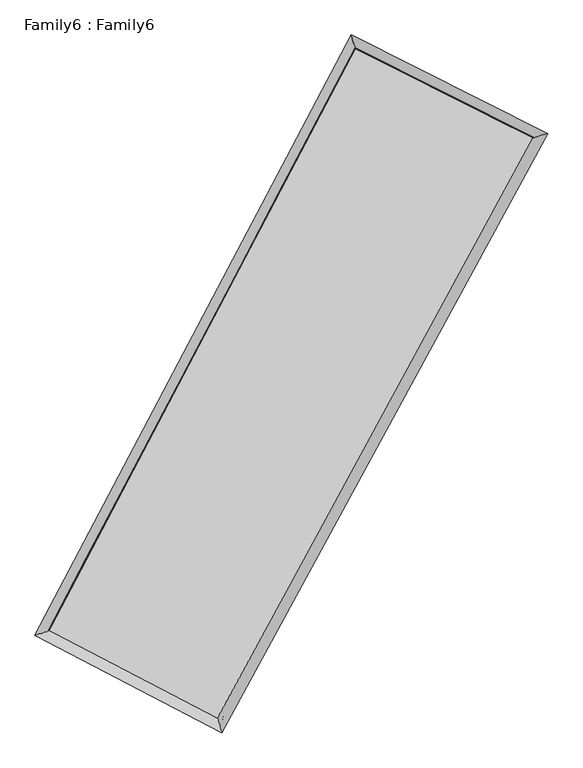
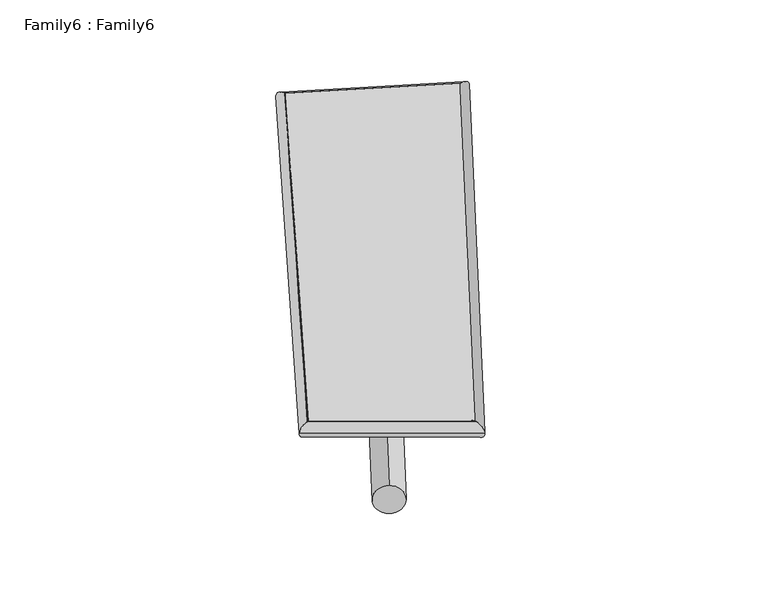
"""IFC4 building model written with IfcOpenShell, lengths in millimetres: plate geometry, Family6 : Family6."""

from ifc_helpers import new_model, si_unit, point, frame, origin, origin_2d, place, context, project, spatial, circle_curve, ellipse_curve, trimmed, segment, composite_curve, outline, extrude, source, transform, mapped, element, save
from ifc_brep_helpers import plane_surface, cylinder_surface, spline_surface, advanced_brep


def family6_family6_ca8152de(model_context):
    return source(origin(), model_context, "Body", "SolidModel", [
        extrude(outline(composite_curve([segment(trimmed(circle_curve(origin_2d(), 76.2), [point((-75.4341514, -10.7763074))], [point((75.4341514, 10.7763074))], False, "CARTESIAN"), True, "CONTINUOUS"), segment(trimmed(circle_curve(origin_2d(), 76.2), [point((75.4341514, 10.7763074))], [point((-75.4341514, -10.7763074))], False, "CARTESIAN"), True, "CONTINUOUS")], self_intersect=False)), frame((9144.0, 9144.0, 0.0), z_axis=(0.6781261934460157, 0.6807460725160033, 0.2770011742149362), x_axis=(-0.6735285424483626, 0.7264580894818965, -0.13644759702426923)), (0.0, 0.0, 1.0), 5659.3559842),
        extrude(outline(composite_curve([segment(trimmed(circle_curve(origin_2d(), 76.2), [point((-53.8815367, 53.8815367))], [point((53.8815367, -53.8815367))], False, "CARTESIAN"), True, "CONTINUOUS"), segment(trimmed(circle_curve(origin_2d(), 76.2), [point((53.8815367, -53.8815367))], [point((-53.8815367, 53.8815367))], False, "CARTESIAN"), True, "CONTINUOUS")], self_intersect=False)), frame((9144.0, 9144.0, 0.0), z_axis=(-0.6698570127627423, -0.6879189204724353, 0.279390660739787), x_axis=(0.6459300001023044, -0.3543502371755357, 0.6761733094270128)), (0.0, 0.0, 1.0), 5616.5399906),
        extrude(outline(composite_curve([segment(trimmed(circle_curve(origin_2d(), 76.2), [point((-53.8815368, -53.8815367))], [point((53.8815368, 53.8815367))], False, "CARTESIAN"), True, "CONTINUOUS"), segment(trimmed(circle_curve(origin_2d(), 76.2), [point((53.8815368, 53.8815367))], [point((-53.8815368, -53.8815367))], False, "CARTESIAN"), True, "CONTINUOUS")], self_intersect=False)), frame((9144.0, 9144.0, 0.0), z_axis=(0.18683795081796778, 0.9457302073700304, 0.2658683038686299), x_axis=(-0.8523472473049737, 0.2906201273531042, -0.43479203257293)), (0.0, 0.0, 1.0), 5558.6296604),
        extrude(outline(composite_curve([segment(trimmed(circle_curve(origin_2d(), 76.2), [point((-75.4341514, 10.7763074))], [point((75.4341514, -10.7763074))], False, "CARTESIAN"), True, "CONTINUOUS"), segment(trimmed(circle_curve(origin_2d(), 76.2), [point((75.4341514, -10.7763074))], [point((-75.4341514, 10.7763074))], False, "CARTESIAN"), True, "CONTINUOUS")], self_intersect=False)), frame((9144.0, 9144.0, 0.0), z_axis=(-0.19886107685644824, -0.9434214478738391, 0.2653492864190952), x_axis=(0.8995731961836193, -0.06828178872250727, 0.43139965465545127)), (0.0, 0.0, 1.0), 5563.3288896),
        advanced_brep(
        [(5175.8679888, 5216.0940263, 1564.1387904), (5175.7326522, 5215.8410977, 1576.9411907), (5587.5746109, 5344.4577194, 1574.2788477), (10247.7048679, 14197.8208366, 1485.6107776), (10117.4210823, 14604.1071263, 1470.1161017), (5587.7099475, 5344.7106481, 1561.4764474), (12772.6997911, 12931.0094929, 1566.6005742), (13190.8152707, 13062.1592255, 1568.6959317), (7975.2622007, 4099.8159176, 1477.8894214), (8100.0786516, 3691.0564904, 1474.5612805)],
        [
            (0, 1, ellipse_curve(frame((5381.7212998, 5280.2758729, 1569.208819), z_axis=(-0.29796835588746656, 0.954446522799799, 0.015706495633749273), x_axis=(-0.9540541793685051, -0.29830907925236577, 0.028148109440848404)), 215.9761845, 152.4)),
            (1, 2, ellipse_curve(frame((5381.7212998, 5280.2758729, 1569.208819), z_axis=(-0.29796835588746656, 0.954446522799799, 0.015706495633749273), x_axis=(-0.9540541793685051, -0.29830907925236577, 0.028148109440848404)), 215.9761845, 152.4)),
            (2, 3),
            (3, 4, ellipse_curve(frame((10182.5629751, 14400.9639814, 1477.8634396), z_axis=(-0.9519934024258943, -0.30580439822396865, -0.013864767017364476), x_axis=(0.30537034475893393, -0.9518567547034542, 0.026789383479617568)), 213.4820576, 152.4)),
            (4, 0),
            (2, 5, ellipse_curve(frame((5381.7212998, 5280.2758729, 1569.208819), z_axis=(-0.29796835588746656, 0.954446522799799, 0.015706495633749273), x_axis=(-0.9540541793685051, -0.29830907925236577, 0.028148109440848404)), 215.9761845, 152.4)),
            (5, 0, ellipse_curve(frame((5381.7212998, 5280.2758729, 1569.208819), z_axis=(-0.29796835588746656, 0.954446522799799, 0.015706495633749273), x_axis=(-0.9540541793685051, -0.29830907925236577, 0.028148109440848404)), 215.9761845, 152.4)),
            (4, 3, ellipse_curve(frame((10182.5629751, 14400.9639814, 1477.8634396), z_axis=(-0.9519934024258943, -0.30580439822396865, -0.013864767017364476), x_axis=(0.30537034475893393, -0.9518567547034542, 0.026789383479617568)), 213.4820576, 152.4)),
            (3, 6),
            (6, 7, ellipse_curve(frame((12981.7575309, 12996.5843592, 1567.6482529), z_axis=(-0.2991952451056249, 0.9540853682304534, -0.01425887214141365), x_axis=(-0.9537464580750272, -0.2994787363483072, -0.02608026427322572)), 219.1564821, 152.4)),
            (7, 4),
            (7, 6, ellipse_curve(frame((12981.7575309, 12996.5843592, 1567.6482529), z_axis=(-0.2991952451056249, 0.9540853682304534, -0.01425887214141365), x_axis=(-0.9537464580750272, -0.2994787363483072, -0.02608026427322572)), 219.1564821, 152.4)),
            (6, 8),
            (8, 9, ellipse_curve(frame((8037.6704261, 3895.436204, 1476.225351), z_axis=(0.9562540067039318, 0.2921230435800148, -0.015569266913556276), x_axis=(-0.2916171876965716, 0.9561128130571153, 0.028420143348551717)), 213.7461924, 152.4)),
            (9, 7),
            (9, 8, ellipse_curve(frame((8037.6704261, 3895.436204, 1476.225351), z_axis=(0.9562540067039318, 0.2921230435800148, -0.015569266913556276), x_axis=(-0.2916171876965716, 0.9561128130571153, 0.028420143348551717)), 213.7461924, 152.4)),
            (8, 5),
            (1, 9),
        ],
        [
            cylinder_surface(frame((5381.7212998, 5280.2758729, 1569.208819), z_axis=(-0.4657645727432379, -0.8848642982517168, 0.008862079711106948), x_axis=(-0.884286791458526, 0.46503851995264356, -0.04214315380035201)), 152.4),
            cylinder_surface(frame((10182.5629751, 14400.9639814, 1477.8634396), z_axis=(-0.8934484322481905, 0.44825064736882475, -0.028657565260855777), x_axis=(0.44890127988138034, 0.8932923028429189, -0.02272669361023412)), 152.4),
            cylinder_surface(frame((12981.7575309, 12996.5843592, 1567.6482529), z_axis=(0.4773315562302148, 0.8786789391704244, 0.008826510362472825), x_axis=(0.8787204083557942, -0.47733155623021484, -0.0022426247718844773)), 152.4),
            cylinder_surface(frame((8037.6704261, 3895.436204, 1476.225351), z_axis=(0.886277394892136, -0.4621143085783521, -0.031028134174661038), x_axis=(-0.46170918158616614, -0.8868151963231253, 0.019581603851814875)), 152.4),
        ],
        [
            (0, [[1, 2, 3, 4, 5]]),
            (0, [[6, 7, -5, 8, -3]]),
            (1, [[-4, 9, 10, 11]]),
            (1, [[-8, -11, 12, -9]]),
            (2, [[-10, 13, 14, 15]]),
            (2, [[-12, -15, 16, -13]]),
            (3, [[-14, 17, -6, -2, 18]]),
            (3, [[-16, -18, -1, -7, -17]]),
        ],
    ),
        extrude(outline(composite_curve([segment(trimmed(circle_curve(origin_2d(), 304.8), [point((0.0, 304.8))], [point((-1e-07, -304.8000001))], False, "CARTESIAN"), True, "CONTINUOUS"), segment(trimmed(circle_curve(origin_2d(), 304.8), [point((-1e-07, -304.8000001))], [point((0.0, 304.8))], False, "CARTESIAN"), True, "CONTINUOUS")], self_intersect=False)), frame((11629.2726909, 13695.4798887, -0.1071576), z_axis=(-0.4792455169678308, -0.8776808839431621, 2.066363972800779e-05), x_axis=(-0.877680884170563, 0.4792455169678309, -5.2740360668154225e-06)), (0.0, 0.0, 1.0), 10371.6053795),
        advanced_brep(
        [(5381.7212998, 5280.2758729, 1569.208819), (8037.6704261, 3895.436204, 1476.225351), (8037.6502004, 3895.4428347, 1628.6253495), (5381.7010741, 5280.2825036, 1721.6088176), (12981.7575309, 12996.5843592, 1567.6482529), (12981.7373052, 12996.5909899, 1720.0482514), (10182.5629751, 14400.9639814, 1477.8634396), (10182.5427494, 14400.9706121, 1630.2634382)],
        [
            (0, 1),
            (1, 2),
            (2, 3),
            (3, 0),
            (1, 4),
            (4, 5),
            (5, 2),
            (4, 6),
            (6, 7),
            (7, 5),
            (6, 0),
            (3, 7),
        ],
        [
            plane_surface(frame((6709.695863, 4587.8560384, 1522.717085), z_axis=(-0.4623375453899692, -0.8867040056320159, -2.277973752192082e-05), x_axis=(0.8862773948921359, -0.46211430857835206, -0.031028134174661014))),
            plane_surface(frame((10509.7139785, 8446.0102816, 1521.9368019), z_axis=(0.8787125817420047, -0.4773512122254499, 0.00013738702428149271), x_axis=(0.47733155623021495, 0.8786789391704245, 0.008826510362472841))),
            plane_surface(frame((11582.160253, 13698.7741703, 1522.7558463), z_axis=(0.44843429647974475, 0.8938157983137913, 2.06251468613302e-05), x_axis=(-0.8934484322481903, 0.44825064736882525, -0.028657565260855764))),
            plane_surface(frame((7782.1421375, 9840.6199272, 1523.5361293), z_axis=(-0.8848996074019653, 0.4657817792241837, -0.00013770476369610483), x_axis=(-0.4657645727432384, -0.8848642982517165, 0.00886207971110694))),
            spline_surface(1, 1, [[(8037.6502004, 3895.4428347, 1628.6253495), (5381.7010741, 5280.2825036, 1721.6088176)], [(12981.7373052, 12996.5909899, 1720.0482514), (10182.5427494, 14400.9706121, 1630.2634382)]], [2, 2], [2, 2], [0.0, 1.0], [0.0, 1.0]),
            spline_surface(1, 1, [[(10182.5629751, 14400.9639814, 1477.8634396), (5381.7212998, 5280.2758729, 1569.208819)], [(12981.7575309, 12996.5843592, 1567.6482529), (8037.6704261, 3895.436204, 1476.225351)]], [2, 2], [2, 2], [0.0, 1.0], [0.0, 1.0]),
        ],
        [
            (0, [[1, 2, 3, 4]]),
            (1, [[5, 6, 7, -2]]),
            (2, [[8, 9, 10, -6]]),
            (3, [[11, -4, 12, -9]]),
            (4, [[-3, -7, -10, -12]]),
            (5, [[-11, -8, -5, -1]]),
        ],
    ),
    ])


if __name__ == "__main__":
    model = new_model("IFC4")
    model_context = context("Model", 3, world=origin())
    ifc_project = project(units=[si_unit("LENGTHUNIT", "METRE", prefix="MILLI")], contexts=[model_context])
    site = spatial("IfcSite", under=ifc_project)
    building = spatial("IfcBuilding", under=site)
    placement = place(None, origin())
    family6_family6_shape = family6_family6_ca8152de(model_context)
    element("IfcPlate", 1, ObjectType="Family6 : Family6", at=placement, inside=building, context=model_context, shape_type="MappedRepresentation", body=[
        mapped(family6_family6_shape, transform((0.0, 0.0, 0.0), x_axis=(1.0, 0.0, 0.0), y_axis=(0.0, 1.0, 0.0), z_axis=(0.0, 0.0, 1.0))),
    ])
    save(model, "model.ifc")
